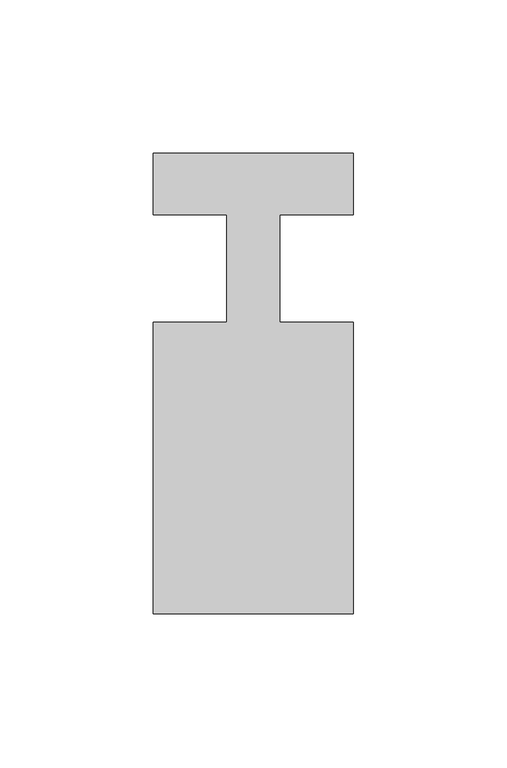
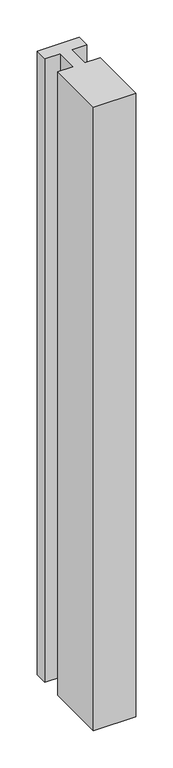
"""IFC4 building model written with IfcOpenShell, lengths in millimetres: member geometry."""

from ifc_helpers import new_model, si_unit, frame, origin, place, context, project, spatial, polyline, outline, extrude, source, transform, mapped, element, save


def member_6d66bce1(model_context):
    return source(origin(), model_context, "Body", "SweptSolid", [
        extrude(outline(polyline([(0.0, 37.0), (0.0, 17.0), (-23.8125, 17.0), (-23.8125, -18.0), (0.0, -18.0), (0.0, -113.0), (-65.0, -113.0), (-65.0, -18.0), (-41.1875, -18.0), (-41.1875, 17.0), (-65.0, 17.0), (-65.0, 37.0), (0.0, 37.0)])), frame((0.0, 0.0, -1018.3333333), z_axis=(0.0, 0.0, 1.0), x_axis=(1.0, 0.0, 0.0)), (0.0, 0.0, 1.0), 1018.3333333),
    ])


if __name__ == "__main__":
    model = new_model("IFC4")
    model_context = context("Model", 3, world=origin())
    ifc_project = project(units=[si_unit("LENGTHUNIT", "METRE", prefix="MILLI")], contexts=[model_context])
    site = spatial("IfcSite", under=ifc_project)
    building = spatial("IfcBuilding", under=site)
    placement = place(None, origin())
    member_shape = member_6d66bce1(model_context)
    element("IfcMember", 1, at=placement, inside=building, context=model_context, shape_type="MappedRepresentation", body=[
        mapped(member_shape, transform((0.0, 0.0, 0.0), x_axis=(1.0, 0.0, 0.0), y_axis=(0.0, 1.0, 0.0), z_axis=(0.0, 0.0, 1.0))),
    ])
    save(model, "model.ifc")
